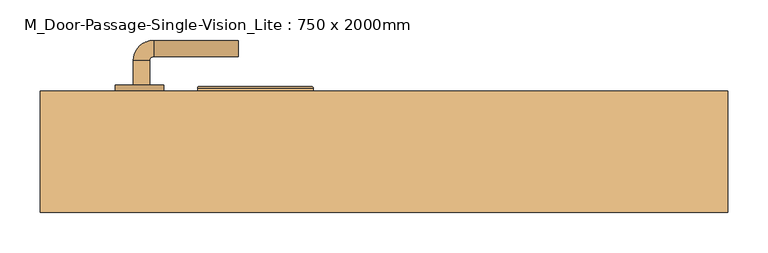
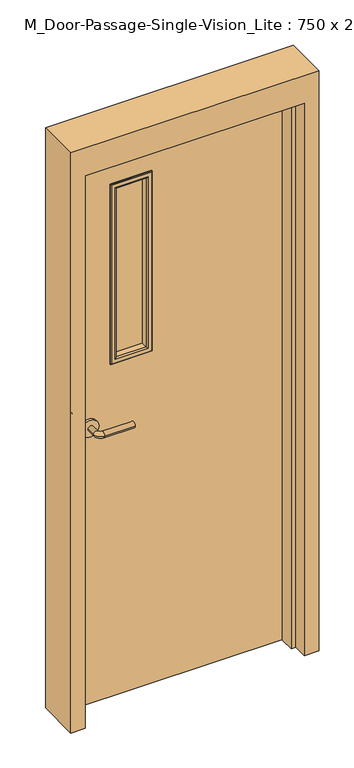
"""IFC4 building model written with IfcOpenShell, lengths in millimetres: door geometry, M_Door-Passage-Single-Vision_Lite : 750 x 2000mm."""

import ifcopenshell
import ifcopenshell.guid

model = None  # the IFC model being written
_history = None  # IfcOwnerHistory: only IFC2X3 demands one
_inside = {}  # id of a spatial element -> (the spatial element, [elements in it])
_under = {}  # id of a project, library or spatial element -> (it, [spatial elements below it])
_declared = {}  # id of a project -> (the project, [libraries it declares])
_typed = {}  # id of a type object -> (the type object, [elements of that type])
_made_of = {}  # id of a material, layer set ... -> (it, [elements and type objects made of it])


def new_model(schema):
    """Start an empty IFC model of exactly this schema.

    Asked for "IFC4X3", IfcOpenShell would pick the latest addendum, in which some entities
    have other attributes; the version numbers below select the first issue.
    IFC2X3 requires an IfcOwnerHistory on every rooted entity: one is made here for all.
    """
    global model, _history
    if schema == "IFC4X3":
        model = ifcopenshell.file(schema_version=(4, 3, 0, 0))
    else:
        model = ifcopenshell.file(schema=schema)
    _inside.clear()
    _under.clear()
    _declared.clear()
    _typed.clear()
    _made_of.clear()
    _history = None
    if model.schema == "IFC2X3":
        org = make("IfcOrganization", Name="unknown")
        user = make(
            "IfcPersonAndOrganization",
            ThePerson=make("IfcPerson", FamilyName="unknown"),
            TheOrganization=org,
        )
        app = make(
            "IfcApplication",
            ApplicationDeveloper=org,
            Version="unknown",
            ApplicationFullName="unknown",
            ApplicationIdentifier="unknown",
        )
        _history = make(
            "IfcOwnerHistory",
            OwningUser=user,
            OwningApplication=app,
            ChangeAction="ADDED",
            CreationDate=0,
        )
    return model


def make(cls, **values):
    """One entity of the class cls with the attributes given. An attribute that is None is left unset."""
    return model.create_entity(
        cls, **{name: value for name, value in values.items() if value is not None}
    )


def rooted(cls, **values):
    """An entity with a GlobalId (a new one), such as an element, a storey or a relation."""
    return make(cls, GlobalId=ifcopenshell.guid.new(), OwnerHistory=_history, **values)


def si_unit(unit_type, name, prefix=None):
    """IfcSIUnit, for example si_unit("LENGTHUNIT", "METRE", prefix="MILLI")."""
    return make("IfcSIUnit", UnitType=unit_type, Prefix=prefix, Name=name)


def assignment(units):
    """IfcUnitAssignment: the units of a project."""
    return None if units is None else make("IfcUnitAssignment", Units=units)


def point(xyz):
    """IfcCartesianPoint."""
    return None if xyz is None else make("IfcCartesianPoint", Coordinates=xyz)


def direction(xyz):
    """IfcDirection."""
    return None if xyz is None else make("IfcDirection", DirectionRatios=xyz)


def frame(location, z_axis=None, x_axis=None):
    """IfcAxis2Placement3D, a coordinate frame: its origin and axes. An axis left out is left unset."""
    return make(
        "IfcAxis2Placement3D",
        Location=point(location),
        Axis=direction(z_axis),
        RefDirection=direction(x_axis),
    )


def frame_2d(location, x_axis=None):
    """IfcAxis2Placement2D, a coordinate frame in the plane: its origin and x axis."""
    return make(
        "IfcAxis2Placement2D", Location=point(location), RefDirection=direction(x_axis)
    )


def origin():
    """The frame at (0, 0, 0) with its axes left unset."""
    return frame((0.0, 0.0, 0.0))


def place(relative_to, where):
    """IfcLocalPlacement: puts the frame where relative to a parent placement (None: the world)."""
    return make(
        "IfcLocalPlacement", PlacementRelTo=relative_to, RelativePlacement=where
    )


def context(
    kind, dimensions, precision=None, world=None, true_north=None, identifier=None
):
    """IfcGeometricRepresentationContext, for example the 3D "Model" context."""
    return make(
        "IfcGeometricRepresentationContext",
        ContextIdentifier=identifier,
        ContextType=kind,
        CoordinateSpaceDimension=dimensions,
        Precision=precision,
        WorldCoordinateSystem=world,
        TrueNorth=true_north,
    )


def project(units=None, contexts=None):
    """IfcProject with its units and contexts."""
    return rooted(
        "IfcProject",
        Name="project",
        RepresentationContexts=contexts,
        UnitsInContext=assignment(units),
    )


def spatial(cls, under=None, at=None, **own):
    """A site, building, storey or space (cls), placed at a placement, below another one or the project."""
    s = rooted(cls, ObjectPlacement=at, **own)
    if under is not None:
        _under.setdefault(under.id(), (under, []))[1].append(s)
    return s


def polyline(points):
    """IfcPolyline through the points."""
    return make("IfcPolyline", Points=[point(p) for p in points])


def circle_curve(where, radius):
    """IfcCircle in the frame where."""
    return make("IfcCircle", Position=where, Radius=radius)


def ellipse_curve(where, semi_axis1, semi_axis2):
    """IfcEllipse in the frame where."""
    return make(
        "IfcEllipse", Position=where, SemiAxis1=semi_axis1, SemiAxis2=semi_axis2
    )


def trimmed(basis, trim1, trim2, sense, master):
    """IfcTrimmedCurve: the piece of a basis curve between two trims."""
    return make(
        "IfcTrimmedCurve",
        BasisCurve=basis,
        Trim1=trim1,
        Trim2=trim2,
        SenseAgreement=sense,
        MasterRepresentation=master,
    )


def segment(curve, same_sense, transition):
    """IfcCompositeCurveSegment."""
    return make(
        "IfcCompositeCurveSegment",
        Transition=transition,
        SameSense=same_sense,
        ParentCurve=curve,
    )


def composite_curve(segments, self_intersect=None):
    """IfcCompositeCurve: segments joined end to end."""
    return make("IfcCompositeCurve", Segments=segments, SelfIntersect=self_intersect)


def outline(outer, holes=None, kind="AREA"):
    """IfcArbitraryClosedProfileDef: a profile drawn as a closed curve; with holes, ...WithVoids."""
    if holes is None:
        return make("IfcArbitraryClosedProfileDef", ProfileType=kind, OuterCurve=outer)
    return make(
        "IfcArbitraryProfileDefWithVoids",
        ProfileType=kind,
        OuterCurve=outer,
        InnerCurves=holes,
    )


def extrude(swept, where, along, depth):
    """IfcExtrudedAreaSolid: the profile swept, set in the frame where, extruded along a direction by depth."""
    return make(
        "IfcExtrudedAreaSolid",
        SweptArea=swept,
        Position=where,
        ExtrudedDirection=direction(along),
        Depth=depth,
    )


def faces_of(points, faces, orient=None, outer=None):
    """IfcFace entities. A face is a list of loops; a loop is a list of indices into points, from 0.

    orient and outer hold one flag for each loop. By default every Orientation is true, the
    first loop of a face is its IfcFaceOuterBound and the others are IfcFaceBound.
    """
    made = []
    for i, loops in enumerate(faces):
        bounds = []
        for j, loop in enumerate(loops):
            is_outer = j == 0 if outer is None else outer[i][j]
            bounds.append(
                make(
                    "IfcFaceOuterBound" if is_outer else "IfcFaceBound",
                    Bound=make("IfcPolyLoop", Polygon=[points[k] for k in loop]),
                    Orientation=True if orient is None else orient[i][j],
                )
            )
        made.append(make("IfcFace", Bounds=bounds))
    return made


def faceted_brep(points, faces, orient=None, outer=None, voids=None):
    """IfcFacetedBrep: a solid bounded by flat faces; with voids (closed shells), ...WithVoids."""
    shared = [point(p) for p in points]
    hull = make("IfcClosedShell", CfsFaces=faces_of(shared, faces, orient, outer))
    if voids is None:
        return make("IfcFacetedBrep", Outer=hull)
    return make(
        "IfcFacetedBrepWithVoids",
        Outer=hull,
        Voids=[
            make(cls, CfsFaces=faces_of(shared, fs, o, b)) for cls, fs, o, b in voids
        ],
    )


def shape(context_of_items, identifier, shape_type, items):
    """IfcShapeRepresentation: the items that make up one representation, for example the "Body"."""
    return make(
        "IfcShapeRepresentation",
        ContextOfItems=context_of_items,
        RepresentationIdentifier=identifier,
        RepresentationType=shape_type,
        Items=items,
    )


def source(mapping_origin, context_of_items, identifier, shape_type, items):
    """IfcRepresentationMap: a shape defined once, which mapped items show again and again."""
    return make(
        "IfcRepresentationMap",
        MappingOrigin=mapping_origin,
        MappedRepresentation=shape(context_of_items, identifier, shape_type, items),
    )


def transform(
    local_origin,
    x_axis=None,
    y_axis=None,
    z_axis=None,
    scale=None,
    scale2=None,
    scale3=None,
    uniform=True,
):
    """IfcCartesianTransformationOperator3D, or its non-uniform kind. x_axis, y_axis, z_axis: its Axis1, 2, 3."""
    if uniform:
        return make(
            "IfcCartesianTransformationOperator3D",
            Axis1=direction(x_axis),
            Axis2=direction(y_axis),
            LocalOrigin=point(local_origin),
            Scale=scale,
            Axis3=direction(z_axis),
        )
    return make(
        "IfcCartesianTransformationOperator3DnonUniform",
        Axis1=direction(x_axis),
        Axis2=direction(y_axis),
        LocalOrigin=point(local_origin),
        Scale=scale,
        Axis3=direction(z_axis),
        Scale2=scale2,
        Scale3=scale3,
    )


def mapped(mapping_source, mapping_target):
    """IfcMappedItem: shows the shape of a source again, moved by a transform."""
    return make(
        "IfcMappedItem", MappingSource=mapping_source, MappingTarget=mapping_target
    )


def made_of(thing, what):
    """Note that an element or type object is made of a material, layer set ...; save() writes the relation."""
    if what is not None:
        _made_of.setdefault(what.id(), (what, []))[1].append(thing)
    return thing


def element(
    cls,
    number,
    at=None,
    inside=None,
    cuts=None,
    type_object=None,
    material=None,
    context=None,
    identifier="Body",
    shape_type=None,
    held_by="IfcProductDefinitionShape",
    body=None,
    shapes=None,
    **own,
):
    """One element of the class cls, such as IfcWall. Its Tag is "e" and its number.

    at: its placement. inside: the storey or other place that contains it. cuts: it is an
    opening in that element (IfcRelVoidsElement). A single representation is given by context,
    identifier, shape_type and body (its items); several are given by shapes. held_by: the class
    of the entity that holds the representations. save() writes the other relations.
    """
    e = rooted(cls, Tag="e%d" % number, ObjectPlacement=at, **own)
    if body is not None:
        shapes = [shape(context, identifier, shape_type, body)]
    if shapes is not None:
        e.Representation = make(held_by, Representations=shapes)
    if inside is not None:
        _inside.setdefault(inside.id(), (inside, []))[1].append(e)
    if cuts is not None:
        rooted(
            "IfcRelVoidsElement", RelatingBuildingElement=cuts, RelatedOpeningElement=e
        )
    if type_object is not None:
        _typed.setdefault(type_object.id(), (type_object, []))[1].append(e)
    return made_of(e, material)


def aggregate(whole, parts):
    """IfcRelAggregates: a whole, such as a stair, and the parts it consists of."""
    return rooted("IfcRelAggregates", RelatingObject=whole, RelatedObjects=parts)


def save(model, path):
    """Write the relations noted so far, then the file.

    IfcRelAggregates (storeys below a building ...), IfcRelContainedInSpatialStructure (elements
    in a storey), IfcRelDefinesByType, IfcRelAssociatesMaterial and IfcRelDeclares: one each for
    every whole, place, type object, material and project.
    """
    for whole, parts in _under.values():
        aggregate(whole, parts)
    for where, things in _inside.values():
        rooted(
            "IfcRelContainedInSpatialStructure",
            RelatedElements=things,
            RelatingStructure=where,
        )
    for kind, things in _typed.values():
        rooted("IfcRelDefinesByType", RelatedObjects=things, RelatingType=kind)
    for what, things in _made_of.values():
        rooted("IfcRelAssociatesMaterial", RelatedObjects=things, RelatingMaterial=what)
    for by, libraries in _declared.values():
        rooted("IfcRelDeclares", RelatingContext=by, RelatedDefinitions=libraries)
    model.write(path)


def plane_surface(at):
    """IfcPlane: the flat surface through the origin of the frame at, square to its z axis."""
    return make("IfcPlane", Position=at)


def cylinder_surface(at, radius):
    """IfcCylindricalSurface: all points at the distance radius from the z axis of the frame at."""
    return make("IfcCylindricalSurface", Position=at, Radius=radius)


def revolved_surface(curve, axis_point, axis_direction):
    """IfcSurfaceOfRevolution: the curve turned about the line through axis_point along axis_direction."""
    return make(
        "IfcSurfaceOfRevolution",
        SweptCurve=make("IfcArbitraryOpenProfileDef", ProfileType="CURVE", Curve=curve),
        AxisPosition=make("IfcAxis1Placement", Location=point(axis_point), Axis=direction(axis_direction)),
    )


def advanced_brep(points, edges, surfaces, faces):
    """IfcAdvancedBrep: a solid bounded by faces that lie on surfaces and meet in shared edges.

    An edge is (start, end): straight between two places in points (the first is 0);
    or (start, end, curve); or (start, end, curve, False) where it runs against its curve.
    A face is (place in surfaces, loops), or (place, loops, False) where it looks against
    its surface's normal. A loop lists edges by number (the first is 1), with a minus sign
    where the edge is run from its end to its start. The first loop is the outer one.
    """
    corners = [point(p) for p in points]
    vertices = [make("IfcVertexPoint", VertexGeometry=c) for c in corners]
    made = []
    for start, end, *more in edges:
        made.append(
            make(
                "IfcEdgeCurve",
                EdgeStart=vertices[start],
                EdgeEnd=vertices[end],
                EdgeGeometry=more[0] if more else make("IfcPolyline", Points=[corners[start], corners[end]]),
                SameSense=more[1] if len(more) > 1 else True,
            )
        )
    hull = []
    for where, loops, *sense in faces:
        bounds = []
        for j, loop in enumerate(loops):
            ring = [make("IfcOrientedEdge", EdgeElement=made[abs(k) - 1], Orientation=k > 0) for k in loop]
            bounds.append(
                make(
                    "IfcFaceOuterBound" if j == 0 else "IfcFaceBound",
                    Bound=make("IfcEdgeLoop", EdgeList=ring),
                    Orientation=True,
                )
            )
        hull.append(make("IfcAdvancedFace", Bounds=bounds, FaceSurface=surfaces[where], SameSense=sense[0] if sense else True))
    return make("IfcAdvancedBrep", Outer=make("IfcClosedShell", CfsFaces=hull))


def m_door_passage_single_vision_lite_750_x_2000mm_39d577af(model_context):
    return source(origin(), model_context, "Body", "SolidModel", [
        advanced_brep(
        [(-309.990625, -9.15, 1000.0), (-289.990625, -9.15, 1000.0), (-289.990625, -39.15, 1000.0), (-309.990625, -39.15, 1000.0), (-284.990625, -44.15, 1000.0), (-284.990625, -64.15, 1000.0), (-179.990625, -64.15, 1000.0), (-179.990625, -44.15, 1000.0)],
        [
            (0, 1, circle_curve(frame((-299.990625, -9.15, 1000.0), z_axis=(0.0, 1.0, 0.0), x_axis=(1.0, 0.0, 0.0)), 10.0)),
            (1, 0, circle_curve(frame((-299.990625, -9.15, 1000.0), z_axis=(0.0, 1.0, 0.0), x_axis=(1.0, 0.0, 0.0)), 10.0)),
            (1, 2),
            (2, 3, circle_curve(frame((-299.990625, -39.15, 1000.0), z_axis=(0.0, 1.0, 0.0), x_axis=(1.0, 0.0, 0.0)), 10.0)),
            (3, 0),
            (3, 2, circle_curve(frame((-299.990625, -39.15, 1000.0), z_axis=(0.0, 1.0, 0.0), x_axis=(1.0, 0.0, 0.0)), 10.0)),
            (4, 5, circle_curve(frame((-284.990625, -54.15, 1000.0), z_axis=(-1.0, 0.0, 0.0), x_axis=(0.0, 1.0, 0.0)), 10.0)),
            (5, 3, circle_curve(frame((-284.990625, -39.15, 1000.0), z_axis=(0.0, 0.0, -1.0), x_axis=(-1.0, 0.0, 0.0)), 25.0)),
            (2, 4, circle_curve(frame((-284.990625, -39.15, 1000.0), z_axis=(0.0, 0.0, 1.0), x_axis=(-1.0, 0.0, 0.0)), 5.0)),
            (5, 4, circle_curve(frame((-284.990625, -54.15, 1000.0), z_axis=(-1.0, 0.0, 0.0), x_axis=(0.0, 1.0, 0.0)), 10.0)),
            (6, 7, circle_curve(frame((-179.990625, -54.15, 1000.0), z_axis=(1.0, 0.0, 0.0), x_axis=(0.0, 1.0, 0.0)), 10.0)),
            (7, 6, circle_curve(frame((-179.990625, -54.15, 1000.0), z_axis=(1.0, 0.0, 0.0), x_axis=(0.0, 1.0, 0.0)), 10.0)),
            (4, 7),
            (6, 5),
        ],
        [
            plane_surface(frame((-299.990625, -9.15, 1000.0), z_axis=(0.0, 1.0, 0.0), x_axis=(0.0, 0.0, 1.0))),
            cylinder_surface(frame((-299.990625, -9.15, 1000.0), z_axis=(0.0, 1.0, 0.0), x_axis=(1.0, 0.0, 0.0)), 10.0),
            revolved_surface(trimmed(ellipse_curve(frame((-299.990625, -39.15, 1000.0), z_axis=(0.0, -1.0, 0.0), x_axis=(1.0, 0.0, 0.0)), 10.0, 10.0), [point((-309.990625, -39.15, 1000.0))], [point((-289.990625, -39.15, 1000.0))], True, "CARTESIAN"), (-284.990625, -39.15, 1000.0), (0.0, 0.0, -1.0)),
            revolved_surface(trimmed(ellipse_curve(frame((-299.990625, -39.15, 1000.0), z_axis=(0.0, -1.0, 0.0), x_axis=(1.0, 0.0, 0.0)), 10.0, 10.0), [point((-289.990625, -39.15, 1000.0))], [point((-309.990625, -39.15, 1000.0))], True, "CARTESIAN"), (-284.990625, -39.15, 1000.0), (0.0, 0.0, -1.0)),
            plane_surface(frame((-179.990625, -54.15, 1000.0), z_axis=(1.0, 0.0, 0.0), x_axis=(0.0, 0.0, 1.0))),
            cylinder_surface(frame((-284.990625, -54.15, 1000.0), z_axis=(-1.0, 0.0, 0.0), x_axis=(0.0, 1.0, 0.0)), 10.0),
        ],
        [
            (0, [[1, 2]]),
            (1, [[3, 4, 5, -2]]),
            (1, [[-5, 6, -3, -1]]),
            (2, [[7, 8, -4, 9]]),
            (3, [[10, -9, -6, -8]]),
            (4, [[11, 12]]),
            (5, [[13, -11, 14, -7]]),
            (5, [[-14, -12, -13, -10]]),
        ],
    ),
        extrude(outline(composite_curve([segment(trimmed(circle_curve(frame_2d((1000.0, -302.490625)), 30.0), [point((1000.0, -332.490625))], [point((1000.0, -272.490625))], False, "CARTESIAN"), True, "CONTINUOUS"), segment(trimmed(circle_curve(frame_2d((1000.0, -302.490625)), 30.0), [point((1000.0, -272.490625))], [point((1000.0, -332.490625))], False, "CARTESIAN"), True, "CONTINUOUS")], self_intersect=False)), frame((0.0, -9.15, 0.0), z_axis=(0.0, 1.0, 0.0), x_axis=(0.0, 0.0, 1.0)), (0.0, 0.0, 1.0), 8.0),
        advanced_brep(
        [(-309.990625, 51.85, 1000.0), (-289.990625, 51.85, 1000.0), (-309.990625, 81.85, 1000.0), (-289.990625, 81.85, 1000.0), (-284.990625, 86.85, 1000.0), (-284.990625, 106.85, 1000.0), (-179.990625, 106.85, 1000.0), (-179.990625, 86.85, 1000.0)],
        [
            (0, 1, circle_curve(frame((-299.990625, 51.85, 1000.0), z_axis=(0.0, -1.0, 0.0), x_axis=(1.0, 0.0, 0.0)), 10.0)),
            (1, 0, circle_curve(frame((-299.990625, 51.85, 1000.0), z_axis=(0.0, -1.0, 0.0), x_axis=(1.0, 0.0, 0.0)), 10.0)),
            (0, 2),
            (2, 3, circle_curve(frame((-299.990625, 81.85, 1000.0), z_axis=(0.0, -1.0, 0.0), x_axis=(1.0, 0.0, 0.0)), 10.0)),
            (3, 1),
            (3, 2, circle_curve(frame((-299.990625, 81.85, 1000.0), z_axis=(0.0, -1.0, 0.0), x_axis=(1.0, 0.0, 0.0)), 10.0)),
            (4, 3, circle_curve(frame((-284.990625, 81.85, 1000.0), z_axis=(0.0, 0.0, 1.0), x_axis=(-1.0, 0.0, 0.0)), 5.0)),
            (2, 5, circle_curve(frame((-284.990625, 81.85, 1000.0), z_axis=(0.0, 0.0, -1.0), x_axis=(-1.0, 0.0, 0.0)), 25.0)),
            (5, 4, circle_curve(frame((-284.990625, 96.85, 1000.0), z_axis=(-1.0, 0.0, 0.0), x_axis=(0.0, -1.0, 0.0)), 10.0)),
            (4, 5, circle_curve(frame((-284.990625, 96.85, 1000.0), z_axis=(-1.0, 0.0, 0.0), x_axis=(0.0, -1.0, 0.0)), 10.0)),
            (6, 7, circle_curve(frame((-179.990625, 96.85, 1000.0), z_axis=(1.0, 0.0, 0.0), x_axis=(0.0, -1.0, 0.0)), 10.0)),
            (7, 6, circle_curve(frame((-179.990625, 96.85, 1000.0), z_axis=(1.0, 0.0, 0.0), x_axis=(0.0, -1.0, 0.0)), 10.0)),
            (5, 6),
            (7, 4),
        ],
        [
            plane_surface(frame((-299.990625, 51.85, 1000.0), z_axis=(0.0, -1.0, 0.0), x_axis=(0.0, 0.0, 1.0))),
            cylinder_surface(frame((-299.990625, 51.85, 1000.0), z_axis=(0.0, -1.0, 0.0), x_axis=(1.0, 0.0, 0.0)), 10.0),
            revolved_surface(trimmed(ellipse_curve(frame((-299.990625, 81.85, 1000.0), z_axis=(0.0, -1.0, 0.0), x_axis=(1.0, 0.0, 0.0)), 10.0, 10.0), [point((-309.990625, 81.85, 1000.0))], [point((-289.990625, 81.85, 1000.0))], True, "CARTESIAN"), (-284.990625, 81.85, 1000.0), (0.0, 0.0, -1.0)),
            revolved_surface(trimmed(ellipse_curve(frame((-299.990625, 81.85, 1000.0), z_axis=(0.0, -1.0, 0.0), x_axis=(1.0, 0.0, 0.0)), 10.0, 10.0), [point((-289.990625, 81.85, 1000.0))], [point((-309.990625, 81.85, 1000.0))], True, "CARTESIAN"), (-284.990625, 81.85, 1000.0), (0.0, 0.0, -1.0)),
            plane_surface(frame((-179.990625, 96.85, 1000.0), z_axis=(1.0, 0.0, 0.0), x_axis=(0.0, 0.0, 1.0))),
            cylinder_surface(frame((-284.990625, 96.85, 1000.0), z_axis=(-1.0, 0.0, 0.0), x_axis=(0.0, -1.0, 0.0)), 10.0),
        ],
        [
            (0, [[1, 2]]),
            (1, [[-1, 3, 4, 5]]),
            (1, [[-2, -5, 6, -3]]),
            (2, [[7, -4, 8, 9]]),
            (3, [[-8, -6, -7, 10]]),
            (4, [[11, 12]]),
            (5, [[-9, 13, -12, 14]]),
            (5, [[-10, -14, -11, -13]]),
        ],
    ),
        extrude(outline(composite_curve([segment(trimmed(circle_curve(frame_2d((1000.0, -302.490625)), 30.0), [point((1000.0, -332.490625))], [point((1000.0, -272.490625))], False, "CARTESIAN"), True, "CONTINUOUS"), segment(trimmed(circle_curve(frame_2d((1000.0, -302.490625)), 30.0), [point((1000.0, -272.490625))], [point((1000.0, -332.490625))], False, "CARTESIAN"), True, "CONTINUOUS")], self_intersect=False)), frame((0.0, 43.85, 0.0), z_axis=(0.0, 1.0, 0.0), x_axis=(0.0, 0.0, 1.0)), (0.0, 0.0, 1.0), 8.0),
        extrude(outline(polyline([(2000.0, -375.0), (0.0, -375.0), (0.0, 375.0), (2000.0, 375.0), (2000.0, -375.0)]), holes=[polyline([(1847.6, -222.6), (1847.6, -95.6), (1212.6, -95.6), (1212.6, -222.6), (1847.6, -222.6)])]), frame((0.0, -1.15, 0.0), z_axis=(0.0, 1.0, 0.0), x_axis=(0.0, 0.0, 1.0)), (0.0, 0.0, 1.0), 45.0),
        faceted_brep([(375.0, -5.9125, 0.0), (375.0, 43.85, 0.0), (425.0, 43.85, 0.0), (425.0, -106.15, 0.0), (375.0, -106.15, 0.0), (375.0, -56.9375, 0.0), (359.125, -56.9375, 0.0), (359.125, -5.9125, 0.0), (375.0, -5.9125, 2000.0), (375.0, 43.85, 2000.0), (-375.0, 43.85, 2000.0), (-375.0, 43.85, 0.0), (-425.0, 43.85, 0.0), (-425.0, 43.85, 2100.0), (425.0, 43.85, 2100.0), (425.0, -106.15, 2100.0), (-425.0, -106.15, 2100.0), (-425.0, -106.15, 0.0), (-375.0, -106.15, 0.0), (-375.0, -106.15, 2000.0), (375.0, -106.15, 2000.0), (375.0, -56.9375, 2000.0), (-375.0, -56.9375, 2000.0), (-375.0, -56.9375, 0.0), (-359.125, -56.9375, 0.0), (-359.125, -56.9375, 1984.125), (359.125, -56.9375, 1984.125), (359.125, -5.9125, 1984.125), (-359.125, -5.9125, 1984.125), (-359.125, -5.9125, 0.0), (-375.0, -5.9125, 0.0), (-375.0, -5.9125, 2000.0)], [[[0, 1, 2, 3, 4, 5, 6, 7]], [[1, 0, 8, 9]], [[2, 1, 9, 10, 11, 12, 13, 14]], [[3, 2, 14, 15]], [[4, 3, 15, 16, 17, 18, 19, 20]], [[5, 4, 20, 21]], [[6, 5, 21, 22, 23, 24, 25, 26]], [[7, 6, 26, 27]], [[0, 7, 27, 28, 29, 30, 31, 8]], [[9, 8, 31, 10]], [[20, 19, 22, 21]], [[26, 25, 28, 27]], [[12, 11, 30, 29, 24, 23, 18, 17]], [[11, 10, 31, 30]], [[13, 12, 17, 16]], [[19, 18, 23, 22]], [[25, 24, 29, 28]], [[15, 14, 13, 16]]]),
        extrude(outline(polyline([(-95.6, 18.85), (-222.6, 18.85), (-222.6, 23.85), (-95.6, 23.85), (-95.6, 18.85)])), frame((0.0, 0.0, 1212.6), z_axis=(0.0, 0.0, 1.0), x_axis=(1.0, 0.0, 0.0)), (0.0, 0.0, 1.0), 635.0),
        advanced_brep(
        [(-222.6, 23.85, 1847.6), (-222.6, 43.85, 1847.6), (-222.6, 43.85, 1212.6), (-222.6, 23.85, 1212.6), (-210.6, 44.85, 1835.6), (-210.6, 23.85, 1835.6), (-210.6, 23.85, 1224.6), (-210.6, 44.85, 1224.6), (-215.6, 49.85, 1840.6), (-215.6, 49.85, 1219.6), (-230.6, 47.85, 1855.6), (-228.6, 49.85, 1853.6), (-228.6, 49.85, 1206.6), (-230.6, 47.85, 1204.6), (-230.6, 43.85, 1855.6), (-230.6, 43.85, 1204.6), (-95.6, 43.85, 1212.6), (-95.6, 23.85, 1212.6), (-107.6, 23.85, 1224.6), (-107.6, 44.85, 1224.6), (-102.6, 49.85, 1219.6), (-89.6, 49.85, 1206.6), (-87.6, 47.85, 1204.6), (-87.6, 43.85, 1204.6), (-95.6, 43.85, 1847.6), (-95.6, 23.85, 1847.6), (-107.6, 23.85, 1835.6), (-107.6, 44.85, 1835.6), (-102.6, 49.85, 1840.6), (-89.6, 49.85, 1853.6), (-87.6, 47.85, 1855.6), (-87.6, 43.85, 1855.6)],
        [
            (0, 1),
            (1, 2),
            (2, 3),
            (3, 0),
            (4, 5),
            (5, 6),
            (6, 7),
            (7, 4),
            (8, 4, ellipse_curve(frame((-215.6, 44.85, 1840.6), z_axis=(-0.7071067811865475, 0.0, -0.7071067811865475), x_axis=(-0.7071067811865474, 0.0, 0.7071067811865476)), 7.0710678, 5.0)),
            (7, 9, ellipse_curve(frame((-215.6, 44.85, 1219.6), z_axis=(-0.7071067811865475, 0.0, 0.7071067811865475), x_axis=(0.7071067811865474, 0.0, 0.7071067811865476)), 7.0710678, 5.0)),
            (9, 8),
            (10, 11, ellipse_curve(frame((-228.6, 47.85, 1853.6), z_axis=(-0.7071067811865475, 0.0, -0.7071067811865475), x_axis=(-0.7071067811865474, 0.0, 0.7071067811865476)), 2.8284271, 2.0)),
            (11, 12),
            (12, 13, ellipse_curve(frame((-228.6, 47.85, 1206.6), z_axis=(-0.7071067811865475, 0.0, 0.7071067811865475), x_axis=(0.7071067811865474, 0.0, 0.7071067811865476)), 2.8284271, 2.0)),
            (13, 10),
            (14, 10),
            (13, 15),
            (15, 14),
            (2, 16),
            (16, 17),
            (17, 3),
            (6, 18),
            (18, 19),
            (19, 7),
            (19, 20, ellipse_curve(frame((-102.6, 44.85, 1219.6), z_axis=(-0.7071067811865475, 0.0, -0.7071067811865475), x_axis=(-0.7071067811865476, 0.0, 0.7071067811865474)), 7.0710678, 5.0)),
            (20, 9),
            (12, 21),
            (21, 22, ellipse_curve(frame((-89.6, 47.85, 1206.6), z_axis=(-0.7071067811865475, 0.0, -0.7071067811865475), x_axis=(-0.7071067811865476, 0.0, 0.7071067811865474)), 2.8284271, 2.0)),
            (22, 13),
            (22, 23),
            (23, 15),
            (16, 24),
            (24, 25),
            (25, 17),
            (18, 26),
            (26, 27),
            (27, 19),
            (27, 28, ellipse_curve(frame((-102.6, 44.85, 1840.6), z_axis=(0.7071067811865475, 0.0, -0.7071067811865475), x_axis=(-0.7071067811865474, 0.0, -0.7071067811865476)), 7.0710678, 5.0)),
            (28, 20),
            (21, 29),
            (29, 30, ellipse_curve(frame((-89.6, 47.85, 1853.6), z_axis=(0.7071067811865475, 0.0, -0.7071067811865475), x_axis=(-0.7071067811865474, 0.0, -0.7071067811865476)), 2.8284271, 2.0)),
            (30, 22),
            (30, 31),
            (31, 23),
            (31, 14),
            (1, 24),
            (0, 25),
            (5, 26),
            (4, 27),
            (8, 28),
            (11, 29),
            (10, 30),
        ],
        [
            plane_surface(frame((-222.6, 43.85, 1847.6), z_axis=(-1.0, 0.0, 0.0), x_axis=(0.0, 0.0, -1.0))),
            plane_surface(frame((-210.6, 23.85, 1835.6), z_axis=(1.0, 0.0, 0.0), x_axis=(0.0, 0.0, -1.0))),
            cylinder_surface(frame((-215.6, 44.85, 1847.6), z_axis=(0.0, 0.0, 1.0), x_axis=(-1.0, 0.0, 0.0)), 5.0),
            cylinder_surface(frame((-228.6, 47.85, 1847.6), z_axis=(0.0, 0.0, 1.0), x_axis=(-1.0, 0.0, 0.0)), 2.0),
            plane_surface(frame((-230.6, 47.85, 1855.6), z_axis=(-1.0, 0.0, 0.0), x_axis=(0.0, 0.0, -1.0))),
            plane_surface(frame((-222.6, 43.85, 1212.6), z_axis=(0.0, 0.0, -1.0), x_axis=(1.0, 0.0, 0.0))),
            plane_surface(frame((-210.6, 23.85, 1224.6), z_axis=(0.0, 0.0, 1.0), x_axis=(1.0, 0.0, 0.0))),
            cylinder_surface(frame((-222.6, 44.85, 1219.6), z_axis=(-1.0, 0.0, 0.0), x_axis=(0.0, 0.0, -1.0)), 5.0),
            cylinder_surface(frame((-222.6, 47.85, 1206.6), z_axis=(-1.0, 0.0, 0.0), x_axis=(0.0, 0.0, -1.0)), 2.0),
            plane_surface(frame((-230.6, 47.85, 1204.6), z_axis=(0.0, 0.0, -1.0), x_axis=(1.0, 0.0, 0.0))),
            plane_surface(frame((-95.6, 43.85, 1212.6), z_axis=(1.0, 0.0, 0.0), x_axis=(0.0, 0.0, 1.0))),
            plane_surface(frame((-107.6, 23.85, 1224.6), z_axis=(-1.0, 0.0, 0.0), x_axis=(0.0, 0.0, 1.0))),
            cylinder_surface(frame((-102.6, 44.85, 1212.6), z_axis=(0.0, 0.0, -1.0), x_axis=(1.0, 0.0, 0.0)), 5.0),
            cylinder_surface(frame((-89.6, 47.85, 1212.6), z_axis=(0.0, 0.0, -1.0), x_axis=(1.0, 0.0, 0.0)), 2.0),
            plane_surface(frame((-87.6, 47.85, 1204.6), z_axis=(1.0, 0.0, 0.0), x_axis=(0.0, 0.0, 1.0))),
            plane_surface(frame((-87.6, 43.85, 1855.6), z_axis=(0.0, -1.0, 0.0), x_axis=(-1.0, 0.0, 0.0))),
            plane_surface(frame((-95.6, 43.85, 1847.6), z_axis=(0.0, 0.0, 1.0), x_axis=(-1.0, 0.0, 0.0))),
            plane_surface(frame((-95.6, 23.85, 1847.6), z_axis=(0.0, -1.0, 0.0), x_axis=(-1.0, 0.0, 0.0))),
            plane_surface(frame((-107.6, 23.85, 1835.6), z_axis=(0.0, 0.0, -1.0), x_axis=(-1.0, 0.0, 0.0))),
            cylinder_surface(frame((-95.6, 44.85, 1840.6), z_axis=(1.0, 0.0, 0.0), x_axis=(0.0, 0.0, 1.0)), 5.0),
            plane_surface(frame((-102.6, 49.85, 1840.6), z_axis=(0.0, 1.0, 0.0), x_axis=(-1.0, 0.0, 0.0))),
            cylinder_surface(frame((-95.6, 47.85, 1853.6), z_axis=(1.0, 0.0, 0.0), x_axis=(0.0, 0.0, 1.0)), 2.0),
            plane_surface(frame((-87.6, 47.85, 1855.6), z_axis=(0.0, 0.0, 1.0), x_axis=(-1.0, 0.0, 0.0))),
        ],
        [
            (0, [[1, 2, 3, 4]]),
            (1, [[5, 6, 7, 8]]),
            (2, [[9, -8, 10, 11]]),
            (3, [[12, 13, 14, 15]]),
            (4, [[16, -15, 17, 18]]),
            (5, [[-3, 19, 20, 21]]),
            (6, [[-7, 22, 23, 24]]),
            (7, [[-10, -24, 25, 26]]),
            (8, [[-14, 27, 28, 29]]),
            (9, [[-17, -29, 30, 31]]),
            (10, [[-20, 32, 33, 34]]),
            (11, [[-23, 35, 36, 37]]),
            (12, [[-25, -37, 38, 39]]),
            (13, [[-28, 40, 41, 42]]),
            (14, [[-30, -42, 43, 44]]),
            (15, [[-31, -44, 45, -18], [46, -32, -19, -2]]),
            (16, [[-33, -46, -1, 47]]),
            (17, [[-21, -34, -47, -4], [48, -35, -22, -6]]),
            (18, [[-36, -48, -5, 49]]),
            (19, [[-38, -49, -9, 50]]),
            (20, [[51, -40, -27, -13], [-26, -39, -50, -11]]),
            (21, [[-41, -51, -12, 52]]),
            (22, [[-43, -52, -16, -45]]),
        ],
    ),
        advanced_brep(
        [(-222.6, 18.85, 1212.6), (-222.6, -1.15, 1212.6), (-222.6, -1.15, 1847.6), (-222.6, 18.85, 1847.6), (-210.6, -2.15, 1224.6), (-210.6, 18.85, 1224.6), (-210.6, 18.85, 1835.6), (-210.6, -2.15, 1835.6), (-215.6, -7.15, 1219.6), (-215.6, -7.15, 1840.6), (-230.6, -5.15, 1204.6), (-228.6, -7.15, 1206.6), (-228.6, -7.15, 1853.6), (-230.6, -5.15, 1855.6), (-230.6, -1.15, 1204.6), (-230.6, -1.15, 1855.6), (-95.6, -1.15, 1847.6), (-95.6, 18.85, 1847.6), (-107.6, 18.85, 1835.6), (-107.6, -2.15, 1835.6), (-102.6, -7.15, 1840.6), (-89.6, -7.15, 1853.6), (-87.6, -5.15, 1855.6), (-87.6, -1.15, 1855.6), (-95.6, -1.15, 1212.6), (-95.6, 18.85, 1212.6), (-107.6, 18.85, 1224.6), (-107.6, -2.15, 1224.6), (-102.6, -7.15, 1219.6), (-89.6, -7.15, 1206.6), (-87.6, -5.15, 1204.6), (-87.6, -1.15, 1204.6)],
        [
            (0, 1),
            (1, 2),
            (2, 3),
            (3, 0),
            (4, 5),
            (5, 6),
            (6, 7),
            (7, 4),
            (8, 4, ellipse_curve(frame((-215.6, -2.15, 1219.6), z_axis=(-0.7071067811865475, 0.0, 0.7071067811865475), x_axis=(-0.7071067811865474, 0.0, -0.7071067811865476)), 7.0710678, 5.0)),
            (7, 9, ellipse_curve(frame((-215.6, -2.15, 1840.6), z_axis=(-0.7071067811865475, 0.0, -0.7071067811865475), x_axis=(0.7071067811865474, 0.0, -0.7071067811865476)), 7.0710678, 5.0)),
            (9, 8),
            (10, 11, ellipse_curve(frame((-228.6, -5.15, 1206.6), z_axis=(-0.7071067811865475, 0.0, 0.7071067811865475), x_axis=(-0.7071067811865474, 0.0, -0.7071067811865476)), 2.8284271, 2.0)),
            (11, 12),
            (12, 13, ellipse_curve(frame((-228.6, -5.15, 1853.6), z_axis=(-0.7071067811865475, 0.0, -0.7071067811865475), x_axis=(0.7071067811865474, 0.0, -0.7071067811865476)), 2.8284271, 2.0)),
            (13, 10),
            (14, 10),
            (13, 15),
            (15, 14),
            (2, 16),
            (16, 17),
            (17, 3),
            (6, 18),
            (18, 19),
            (19, 7),
            (19, 20, ellipse_curve(frame((-102.6, -2.15, 1840.6), z_axis=(-0.7071067811865475, 0.0, 0.7071067811865475), x_axis=(-0.7071067811865476, 0.0, -0.7071067811865474)), 7.0710678, 5.0)),
            (20, 9),
            (12, 21),
            (21, 22, ellipse_curve(frame((-89.6, -5.15, 1853.6), z_axis=(-0.7071067811865475, 0.0, 0.7071067811865475), x_axis=(-0.7071067811865476, 0.0, -0.7071067811865474)), 2.8284271, 2.0)),
            (22, 13),
            (22, 23),
            (23, 15),
            (16, 24),
            (24, 25),
            (25, 17),
            (18, 26),
            (26, 27),
            (27, 19),
            (27, 28, ellipse_curve(frame((-102.6, -2.15, 1219.6), z_axis=(0.7071067811865475, 0.0, 0.7071067811865475), x_axis=(-0.7071067811865474, 0.0, 0.7071067811865476)), 7.0710678, 5.0)),
            (28, 20),
            (21, 29),
            (29, 30, ellipse_curve(frame((-89.6, -5.15, 1206.6), z_axis=(0.7071067811865475, 0.0, 0.7071067811865475), x_axis=(-0.7071067811865474, 0.0, 0.7071067811865476)), 2.8284271, 2.0)),
            (30, 22),
            (30, 31),
            (31, 23),
            (31, 14),
            (1, 24),
            (0, 25),
            (5, 26),
            (4, 27),
            (8, 28),
            (11, 29),
            (10, 30),
        ],
        [
            plane_surface(frame((-222.6, -1.15, 1212.6), z_axis=(-1.0, 0.0, 0.0), x_axis=(0.0, 0.0, 1.0))),
            plane_surface(frame((-210.6, 18.85, 1224.6), z_axis=(1.0, 0.0, 0.0), x_axis=(0.0, 0.0, 1.0))),
            cylinder_surface(frame((-215.6, -2.15, 1212.6), z_axis=(0.0, 0.0, -1.0), x_axis=(-1.0, 0.0, 0.0)), 5.0),
            cylinder_surface(frame((-228.6, -5.15, 1212.6), z_axis=(0.0, 0.0, -1.0), x_axis=(-1.0, 0.0, 0.0)), 2.0),
            plane_surface(frame((-230.6, -5.15, 1204.6), z_axis=(-1.0, 0.0, 0.0), x_axis=(0.0, 0.0, 1.0))),
            plane_surface(frame((-222.6, -1.15, 1847.6), z_axis=(0.0, 0.0, 1.0), x_axis=(1.0, 0.0, 0.0))),
            plane_surface(frame((-210.6, 18.85, 1835.6), z_axis=(0.0, 0.0, -1.0), x_axis=(1.0, 0.0, 0.0))),
            cylinder_surface(frame((-222.6, -2.15, 1840.6), z_axis=(-1.0, 0.0, 0.0), x_axis=(0.0, 0.0, 1.0)), 5.0),
            cylinder_surface(frame((-222.6, -5.15, 1853.6), z_axis=(-1.0, 0.0, 0.0), x_axis=(0.0, 0.0, 1.0)), 2.0),
            plane_surface(frame((-230.6, -5.15, 1855.6), z_axis=(0.0, 0.0, 1.0), x_axis=(1.0, 0.0, 0.0))),
            plane_surface(frame((-95.6, -1.15, 1847.6), z_axis=(1.0, 0.0, 0.0), x_axis=(0.0, 0.0, -1.0))),
            plane_surface(frame((-107.6, 18.85, 1835.6), z_axis=(-1.0, 0.0, 0.0), x_axis=(0.0, 0.0, -1.0))),
            cylinder_surface(frame((-102.6, -2.15, 1847.6), z_axis=(0.0, 0.0, 1.0), x_axis=(1.0, 0.0, 0.0)), 5.0),
            cylinder_surface(frame((-89.6, -5.15, 1847.6), z_axis=(0.0, 0.0, 1.0), x_axis=(1.0, 0.0, 0.0)), 2.0),
            plane_surface(frame((-87.6, -5.15, 1855.6), z_axis=(1.0, 0.0, 0.0), x_axis=(0.0, 0.0, -1.0))),
            plane_surface(frame((-87.6, -1.15, 1204.6), z_axis=(0.0, 1.0, 0.0), x_axis=(-1.0, 0.0, 0.0))),
            plane_surface(frame((-95.6, -1.15, 1212.6), z_axis=(0.0, 0.0, -1.0), x_axis=(-1.0, 0.0, 0.0))),
            plane_surface(frame((-95.6, 18.85, 1212.6), z_axis=(0.0, 1.0, 0.0), x_axis=(-1.0, 0.0, 0.0))),
            plane_surface(frame((-107.6, 18.85, 1224.6), z_axis=(0.0, 0.0, 1.0), x_axis=(-1.0, 0.0, 0.0))),
            cylinder_surface(frame((-95.6, -2.15, 1219.6), z_axis=(1.0, 0.0, 0.0), x_axis=(0.0, 0.0, -1.0)), 5.0),
            plane_surface(frame((-102.6, -7.15, 1219.6), z_axis=(0.0, -1.0, 0.0), x_axis=(-1.0, 0.0, 0.0))),
            cylinder_surface(frame((-95.6, -5.15, 1206.6), z_axis=(1.0, 0.0, 0.0), x_axis=(0.0, 0.0, -1.0)), 2.0),
            plane_surface(frame((-87.6, -5.15, 1204.6), z_axis=(0.0, 0.0, -1.0), x_axis=(-1.0, 0.0, 0.0))),
        ],
        [
            (0, [[1, 2, 3, 4]]),
            (1, [[5, 6, 7, 8]]),
            (2, [[9, -8, 10, 11]]),
            (3, [[12, 13, 14, 15]]),
            (4, [[16, -15, 17, 18]]),
            (5, [[-3, 19, 20, 21]]),
            (6, [[-7, 22, 23, 24]]),
            (7, [[-10, -24, 25, 26]]),
            (8, [[-14, 27, 28, 29]]),
            (9, [[-17, -29, 30, 31]]),
            (10, [[-20, 32, 33, 34]]),
            (11, [[-23, 35, 36, 37]]),
            (12, [[-25, -37, 38, 39]]),
            (13, [[-28, 40, 41, 42]]),
            (14, [[-30, -42, 43, 44]]),
            (15, [[-31, -44, 45, -18], [46, -32, -19, -2]]),
            (16, [[-33, -46, -1, 47]]),
            (17, [[-21, -34, -47, -4], [48, -35, -22, -6]]),
            (18, [[-36, -48, -5, 49]]),
            (19, [[-38, -49, -9, 50]]),
            (20, [[51, -40, -27, -13], [-26, -39, -50, -11]]),
            (21, [[-41, -51, -12, 52]]),
            (22, [[-43, -52, -16, -45]]),
        ],
    ),
    ])


if __name__ == "__main__":
    model = new_model("IFC4")
    model_context = context("Model", 3, world=origin())
    ifc_project = project(units=[si_unit("LENGTHUNIT", "METRE", prefix="MILLI")], contexts=[model_context])
    site = spatial("IfcSite", under=ifc_project)
    building = spatial("IfcBuilding", under=site)
    placement = place(None, origin())
    m_door_passage_single_vision_lite_750_x_2000mm_shape = m_door_passage_single_vision_lite_750_x_2000mm_39d577af(model_context)
    element("IfcDoor", 1, ObjectType="M_Door-Passage-Single-Vision_Lite : 750 x 2000mm", at=placement, inside=building, context=model_context, shape_type="MappedRepresentation", body=[
        mapped(m_door_passage_single_vision_lite_750_x_2000mm_shape, transform((0.0, 0.0, 0.0), x_axis=(1.0, 0.0, 0.0), y_axis=(0.0, 1.0, 0.0), z_axis=(0.0, 0.0, 1.0))),
    ])
    save(model, "model.ifc")
